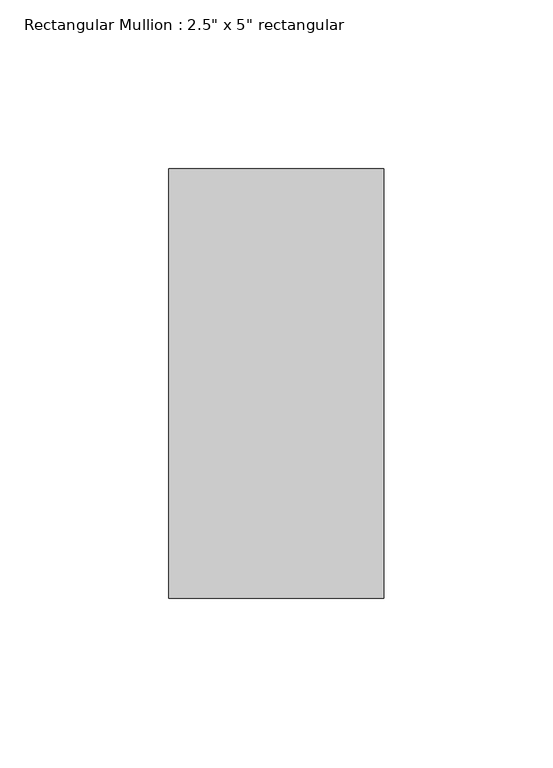
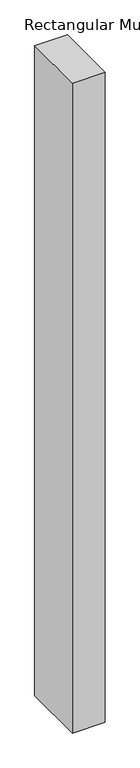
"""IFC4 building model written with IfcOpenShell, lengths in millimetres: member geometry."""

import ifcopenshell
import ifcopenshell.guid

model = None  # the IFC model being written
_history = None  # IfcOwnerHistory: only IFC2X3 demands one
_inside = {}  # id of a spatial element -> (the spatial element, [elements in it])
_under = {}  # id of a project, library or spatial element -> (it, [spatial elements below it])
_declared = {}  # id of a project -> (the project, [libraries it declares])
_typed = {}  # id of a type object -> (the type object, [elements of that type])
_made_of = {}  # id of a material, layer set ... -> (it, [elements and type objects made of it])


def new_model(schema):
    """Start an empty IFC model of exactly this schema.

    Asked for "IFC4X3", IfcOpenShell would pick the latest addendum, in which some entities
    have other attributes; the version numbers below select the first issue.
    IFC2X3 requires an IfcOwnerHistory on every rooted entity: one is made here for all.
    """
    global model, _history
    if schema == "IFC4X3":
        model = ifcopenshell.file(schema_version=(4, 3, 0, 0))
    else:
        model = ifcopenshell.file(schema=schema)
    _inside.clear()
    _under.clear()
    _declared.clear()
    _typed.clear()
    _made_of.clear()
    _history = None
    if model.schema == "IFC2X3":
        org = make("IfcOrganization", Name="unknown")
        user = make(
            "IfcPersonAndOrganization",
            ThePerson=make("IfcPerson", FamilyName="unknown"),
            TheOrganization=org,
        )
        app = make(
            "IfcApplication",
            ApplicationDeveloper=org,
            Version="unknown",
            ApplicationFullName="unknown",
            ApplicationIdentifier="unknown",
        )
        _history = make(
            "IfcOwnerHistory",
            OwningUser=user,
            OwningApplication=app,
            ChangeAction="ADDED",
            CreationDate=0,
        )
    return model


def make(cls, **values):
    """One entity of the class cls with the attributes given. An attribute that is None is left unset."""
    return model.create_entity(
        cls, **{name: value for name, value in values.items() if value is not None}
    )


def rooted(cls, **values):
    """An entity with a GlobalId (a new one), such as an element, a storey or a relation."""
    return make(cls, GlobalId=ifcopenshell.guid.new(), OwnerHistory=_history, **values)


def si_unit(unit_type, name, prefix=None):
    """IfcSIUnit, for example si_unit("LENGTHUNIT", "METRE", prefix="MILLI")."""
    return make("IfcSIUnit", UnitType=unit_type, Prefix=prefix, Name=name)


def assignment(units):
    """IfcUnitAssignment: the units of a project."""
    return None if units is None else make("IfcUnitAssignment", Units=units)


def point(xyz):
    """IfcCartesianPoint."""
    return None if xyz is None else make("IfcCartesianPoint", Coordinates=xyz)


def direction(xyz):
    """IfcDirection."""
    return None if xyz is None else make("IfcDirection", DirectionRatios=xyz)


def frame(location, z_axis=None, x_axis=None):
    """IfcAxis2Placement3D, a coordinate frame: its origin and axes. An axis left out is left unset."""
    return make(
        "IfcAxis2Placement3D",
        Location=point(location),
        Axis=direction(z_axis),
        RefDirection=direction(x_axis),
    )


def origin():
    """The frame at (0, 0, 0) with its axes left unset."""
    return frame((0.0, 0.0, 0.0))


def place(relative_to, where):
    """IfcLocalPlacement: puts the frame where relative to a parent placement (None: the world)."""
    return make(
        "IfcLocalPlacement", PlacementRelTo=relative_to, RelativePlacement=where
    )


def context(
    kind, dimensions, precision=None, world=None, true_north=None, identifier=None
):
    """IfcGeometricRepresentationContext, for example the 3D "Model" context."""
    return make(
        "IfcGeometricRepresentationContext",
        ContextIdentifier=identifier,
        ContextType=kind,
        CoordinateSpaceDimension=dimensions,
        Precision=precision,
        WorldCoordinateSystem=world,
        TrueNorth=true_north,
    )


def project(units=None, contexts=None):
    """IfcProject with its units and contexts."""
    return rooted(
        "IfcProject",
        Name="project",
        RepresentationContexts=contexts,
        UnitsInContext=assignment(units),
    )


def spatial(cls, under=None, at=None, **own):
    """A site, building, storey or space (cls), placed at a placement, below another one or the project."""
    s = rooted(cls, ObjectPlacement=at, **own)
    if under is not None:
        _under.setdefault(under.id(), (under, []))[1].append(s)
    return s


def polyline(points):
    """IfcPolyline through the points."""
    return make("IfcPolyline", Points=[point(p) for p in points])


def outline(outer, holes=None, kind="AREA"):
    """IfcArbitraryClosedProfileDef: a profile drawn as a closed curve; with holes, ...WithVoids."""
    if holes is None:
        return make("IfcArbitraryClosedProfileDef", ProfileType=kind, OuterCurve=outer)
    return make(
        "IfcArbitraryProfileDefWithVoids",
        ProfileType=kind,
        OuterCurve=outer,
        InnerCurves=holes,
    )


def extrude(swept, where, along, depth):
    """IfcExtrudedAreaSolid: the profile swept, set in the frame where, extruded along a direction by depth."""
    return make(
        "IfcExtrudedAreaSolid",
        SweptArea=swept,
        Position=where,
        ExtrudedDirection=direction(along),
        Depth=depth,
    )


def shape(context_of_items, identifier, shape_type, items):
    """IfcShapeRepresentation: the items that make up one representation, for example the "Body"."""
    return make(
        "IfcShapeRepresentation",
        ContextOfItems=context_of_items,
        RepresentationIdentifier=identifier,
        RepresentationType=shape_type,
        Items=items,
    )


def source(mapping_origin, context_of_items, identifier, shape_type, items):
    """IfcRepresentationMap: a shape defined once, which mapped items show again and again."""
    return make(
        "IfcRepresentationMap",
        MappingOrigin=mapping_origin,
        MappedRepresentation=shape(context_of_items, identifier, shape_type, items),
    )


def transform(
    local_origin,
    x_axis=None,
    y_axis=None,
    z_axis=None,
    scale=None,
    scale2=None,
    scale3=None,
    uniform=True,
):
    """IfcCartesianTransformationOperator3D, or its non-uniform kind. x_axis, y_axis, z_axis: its Axis1, 2, 3."""
    if uniform:
        return make(
            "IfcCartesianTransformationOperator3D",
            Axis1=direction(x_axis),
            Axis2=direction(y_axis),
            LocalOrigin=point(local_origin),
            Scale=scale,
            Axis3=direction(z_axis),
        )
    return make(
        "IfcCartesianTransformationOperator3DnonUniform",
        Axis1=direction(x_axis),
        Axis2=direction(y_axis),
        LocalOrigin=point(local_origin),
        Scale=scale,
        Axis3=direction(z_axis),
        Scale2=scale2,
        Scale3=scale3,
    )


def mapped(mapping_source, mapping_target):
    """IfcMappedItem: shows the shape of a source again, moved by a transform."""
    return make(
        "IfcMappedItem", MappingSource=mapping_source, MappingTarget=mapping_target
    )


def made_of(thing, what):
    """Note that an element or type object is made of a material, layer set ...; save() writes the relation."""
    if what is not None:
        _made_of.setdefault(what.id(), (what, []))[1].append(thing)
    return thing


def element(
    cls,
    number,
    at=None,
    inside=None,
    cuts=None,
    type_object=None,
    material=None,
    context=None,
    identifier="Body",
    shape_type=None,
    held_by="IfcProductDefinitionShape",
    body=None,
    shapes=None,
    **own,
):
    """One element of the class cls, such as IfcWall. Its Tag is "e" and its number.

    at: its placement. inside: the storey or other place that contains it. cuts: it is an
    opening in that element (IfcRelVoidsElement). A single representation is given by context,
    identifier, shape_type and body (its items); several are given by shapes. held_by: the class
    of the entity that holds the representations. save() writes the other relations.
    """
    e = rooted(cls, Tag="e%d" % number, ObjectPlacement=at, **own)
    if body is not None:
        shapes = [shape(context, identifier, shape_type, body)]
    if shapes is not None:
        e.Representation = make(held_by, Representations=shapes)
    if inside is not None:
        _inside.setdefault(inside.id(), (inside, []))[1].append(e)
    if cuts is not None:
        rooted(
            "IfcRelVoidsElement", RelatingBuildingElement=cuts, RelatedOpeningElement=e
        )
    if type_object is not None:
        _typed.setdefault(type_object.id(), (type_object, []))[1].append(e)
    return made_of(e, material)


def aggregate(whole, parts):
    """IfcRelAggregates: a whole, such as a stair, and the parts it consists of."""
    return rooted("IfcRelAggregates", RelatingObject=whole, RelatedObjects=parts)


def save(model, path):
    """Write the relations noted so far, then the file.

    IfcRelAggregates (storeys below a building ...), IfcRelContainedInSpatialStructure (elements
    in a storey), IfcRelDefinesByType, IfcRelAssociatesMaterial and IfcRelDeclares: one each for
    every whole, place, type object, material and project.
    """
    for whole, parts in _under.values():
        aggregate(whole, parts)
    for where, things in _inside.values():
        rooted(
            "IfcRelContainedInSpatialStructure",
            RelatedElements=things,
            RelatingStructure=where,
        )
    for kind, things in _typed.values():
        rooted("IfcRelDefinesByType", RelatedObjects=things, RelatingType=kind)
    for what, things in _made_of.values():
        rooted("IfcRelAssociatesMaterial", RelatedObjects=things, RelatingMaterial=what)
    for by, libraries in _declared.values():
        rooted("IfcRelDeclares", RelatingContext=by, RelatedDefinitions=libraries)
    model.write(path)


def member_e5dd0f9d(model_context):
    return source(origin(), model_context, "Body", "SweptSolid", [
        extrude(outline(polyline([(0.0, 63.5), (0.0, -63.5), (-63.5, -63.5), (-63.5, 63.5), (0.0, 63.5)])), frame((0.0, 0.0, -1338.35), z_axis=(0.0, 0.0, 1.0), x_axis=(1.0, 0.0, 0.0)), (0.0, 0.0, 1.0), 1338.35),
    ])


if __name__ == "__main__":
    model = new_model("IFC4")
    model_context = context("Model", 3, world=origin())
    ifc_project = project(units=[si_unit("LENGTHUNIT", "METRE", prefix="MILLI")], contexts=[model_context])
    site = spatial("IfcSite", under=ifc_project)
    building = spatial("IfcBuilding", under=site)
    placement = place(None, origin())
    member_shape = member_e5dd0f9d(model_context)
    element("IfcMember", 1, ObjectType="Rectangular Mullion : 2.5\" x 5\" rectangular", at=placement, inside=building, context=model_context, shape_type="MappedRepresentation", body=[
        mapped(member_shape, transform((0.0, 0.0, 0.0), x_axis=(1.0, 0.0, 0.0), y_axis=(0.0, 1.0, 0.0), z_axis=(0.0, 0.0, 1.0))),
    ])
    save(model, "model.ifc")
